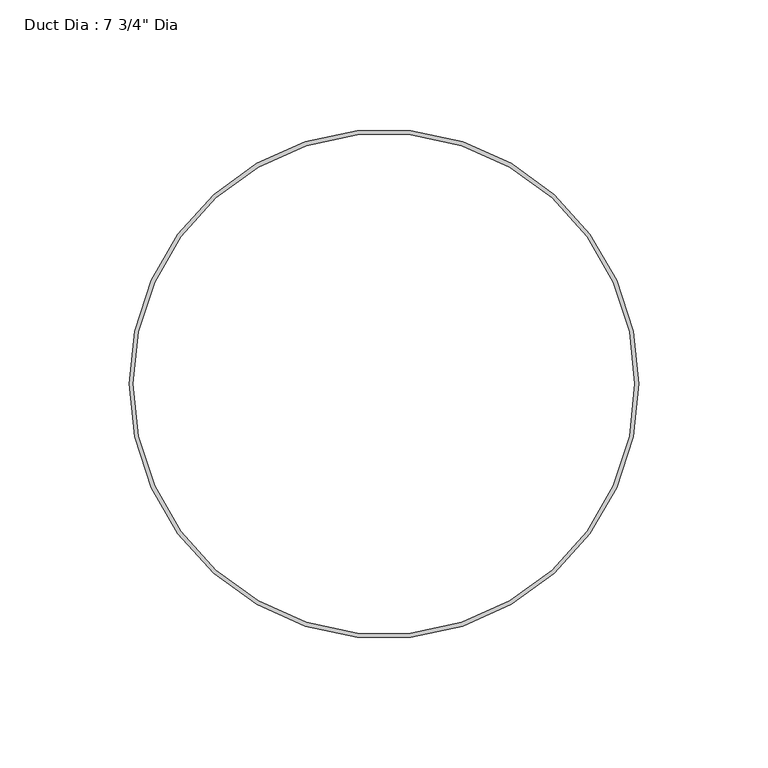
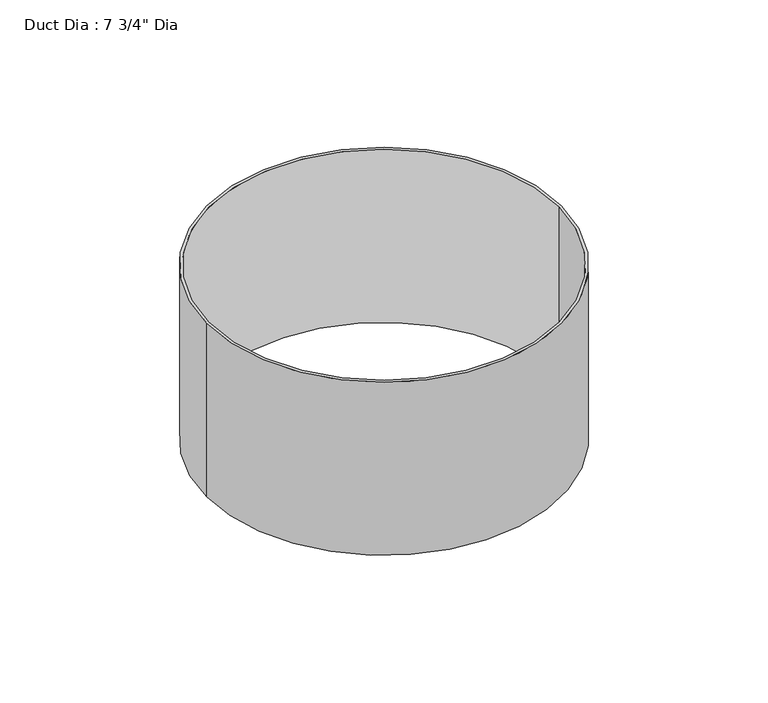
"""IFC4 building model written with IfcOpenShell, lengths in millimetres: proxy geometry."""

import ifcopenshell
import ifcopenshell.guid

model = None  # the IFC model being written
_history = None  # IfcOwnerHistory: only IFC2X3 demands one
_inside = {}  # id of a spatial element -> (the spatial element, [elements in it])
_under = {}  # id of a project, library or spatial element -> (it, [spatial elements below it])
_declared = {}  # id of a project -> (the project, [libraries it declares])
_typed = {}  # id of a type object -> (the type object, [elements of that type])
_made_of = {}  # id of a material, layer set ... -> (it, [elements and type objects made of it])


def new_model(schema):
    """Start an empty IFC model of exactly this schema.

    Asked for "IFC4X3", IfcOpenShell would pick the latest addendum, in which some entities
    have other attributes; the version numbers below select the first issue.
    IFC2X3 requires an IfcOwnerHistory on every rooted entity: one is made here for all.
    """
    global model, _history
    if schema == "IFC4X3":
        model = ifcopenshell.file(schema_version=(4, 3, 0, 0))
    else:
        model = ifcopenshell.file(schema=schema)
    _inside.clear()
    _under.clear()
    _declared.clear()
    _typed.clear()
    _made_of.clear()
    _history = None
    if model.schema == "IFC2X3":
        org = make("IfcOrganization", Name="unknown")
        user = make(
            "IfcPersonAndOrganization",
            ThePerson=make("IfcPerson", FamilyName="unknown"),
            TheOrganization=org,
        )
        app = make(
            "IfcApplication",
            ApplicationDeveloper=org,
            Version="unknown",
            ApplicationFullName="unknown",
            ApplicationIdentifier="unknown",
        )
        _history = make(
            "IfcOwnerHistory",
            OwningUser=user,
            OwningApplication=app,
            ChangeAction="ADDED",
            CreationDate=0,
        )
    return model


def make(cls, **values):
    """One entity of the class cls with the attributes given. An attribute that is None is left unset."""
    return model.create_entity(
        cls, **{name: value for name, value in values.items() if value is not None}
    )


def rooted(cls, **values):
    """An entity with a GlobalId (a new one), such as an element, a storey or a relation."""
    return make(cls, GlobalId=ifcopenshell.guid.new(), OwnerHistory=_history, **values)


def si_unit(unit_type, name, prefix=None):
    """IfcSIUnit, for example si_unit("LENGTHUNIT", "METRE", prefix="MILLI")."""
    return make("IfcSIUnit", UnitType=unit_type, Prefix=prefix, Name=name)


def assignment(units):
    """IfcUnitAssignment: the units of a project."""
    return None if units is None else make("IfcUnitAssignment", Units=units)


def point(xyz):
    """IfcCartesianPoint."""
    return None if xyz is None else make("IfcCartesianPoint", Coordinates=xyz)


def direction(xyz):
    """IfcDirection."""
    return None if xyz is None else make("IfcDirection", DirectionRatios=xyz)


def frame(location, z_axis=None, x_axis=None):
    """IfcAxis2Placement3D, a coordinate frame: its origin and axes. An axis left out is left unset."""
    return make(
        "IfcAxis2Placement3D",
        Location=point(location),
        Axis=direction(z_axis),
        RefDirection=direction(x_axis),
    )


def frame_2d(location, x_axis=None):
    """IfcAxis2Placement2D, a coordinate frame in the plane: its origin and x axis."""
    return make(
        "IfcAxis2Placement2D", Location=point(location), RefDirection=direction(x_axis)
    )


def origin():
    """The frame at (0, 0, 0) with its axes left unset."""
    return frame((0.0, 0.0, 0.0))


def origin_with_axes():
    """The frame at (0, 0, 0) with the z axis (0, 0, 1) and the x axis (1, 0, 0) written out."""
    return frame((0.0, 0.0, 0.0), z_axis=(0.0, 0.0, 1.0), x_axis=(1.0, 0.0, 0.0))


def origin_2d():
    """The frame at (0, 0) in the plane with its x axis left unset."""
    return frame_2d((0.0, 0.0))


def place(relative_to, where):
    """IfcLocalPlacement: puts the frame where relative to a parent placement (None: the world)."""
    return make(
        "IfcLocalPlacement", PlacementRelTo=relative_to, RelativePlacement=where
    )


def context(
    kind, dimensions, precision=None, world=None, true_north=None, identifier=None
):
    """IfcGeometricRepresentationContext, for example the 3D "Model" context."""
    return make(
        "IfcGeometricRepresentationContext",
        ContextIdentifier=identifier,
        ContextType=kind,
        CoordinateSpaceDimension=dimensions,
        Precision=precision,
        WorldCoordinateSystem=world,
        TrueNorth=true_north,
    )


def project(units=None, contexts=None):
    """IfcProject with its units and contexts."""
    return rooted(
        "IfcProject",
        Name="project",
        RepresentationContexts=contexts,
        UnitsInContext=assignment(units),
    )


def spatial(cls, under=None, at=None, **own):
    """A site, building, storey or space (cls), placed at a placement, below another one or the project."""
    s = rooted(cls, ObjectPlacement=at, **own)
    if under is not None:
        _under.setdefault(under.id(), (under, []))[1].append(s)
    return s


def circle_curve(where, radius):
    """IfcCircle in the frame where."""
    return make("IfcCircle", Position=where, Radius=radius)


def trimmed(basis, trim1, trim2, sense, master):
    """IfcTrimmedCurve: the piece of a basis curve between two trims."""
    return make(
        "IfcTrimmedCurve",
        BasisCurve=basis,
        Trim1=trim1,
        Trim2=trim2,
        SenseAgreement=sense,
        MasterRepresentation=master,
    )


def segment(curve, same_sense, transition):
    """IfcCompositeCurveSegment."""
    return make(
        "IfcCompositeCurveSegment",
        Transition=transition,
        SameSense=same_sense,
        ParentCurve=curve,
    )


def composite_curve(segments, self_intersect=None):
    """IfcCompositeCurve: segments joined end to end."""
    return make("IfcCompositeCurve", Segments=segments, SelfIntersect=self_intersect)


def outline(outer, holes=None, kind="AREA"):
    """IfcArbitraryClosedProfileDef: a profile drawn as a closed curve; with holes, ...WithVoids."""
    if holes is None:
        return make("IfcArbitraryClosedProfileDef", ProfileType=kind, OuterCurve=outer)
    return make(
        "IfcArbitraryProfileDefWithVoids",
        ProfileType=kind,
        OuterCurve=outer,
        InnerCurves=holes,
    )


def extrude(swept, where, along, depth):
    """IfcExtrudedAreaSolid: the profile swept, set in the frame where, extruded along a direction by depth."""
    return make(
        "IfcExtrudedAreaSolid",
        SweptArea=swept,
        Position=where,
        ExtrudedDirection=direction(along),
        Depth=depth,
    )


def shape(context_of_items, identifier, shape_type, items):
    """IfcShapeRepresentation: the items that make up one representation, for example the "Body"."""
    return make(
        "IfcShapeRepresentation",
        ContextOfItems=context_of_items,
        RepresentationIdentifier=identifier,
        RepresentationType=shape_type,
        Items=items,
    )


def source(mapping_origin, context_of_items, identifier, shape_type, items):
    """IfcRepresentationMap: a shape defined once, which mapped items show again and again."""
    return make(
        "IfcRepresentationMap",
        MappingOrigin=mapping_origin,
        MappedRepresentation=shape(context_of_items, identifier, shape_type, items),
    )


def transform(
    local_origin,
    x_axis=None,
    y_axis=None,
    z_axis=None,
    scale=None,
    scale2=None,
    scale3=None,
    uniform=True,
):
    """IfcCartesianTransformationOperator3D, or its non-uniform kind. x_axis, y_axis, z_axis: its Axis1, 2, 3."""
    if uniform:
        return make(
            "IfcCartesianTransformationOperator3D",
            Axis1=direction(x_axis),
            Axis2=direction(y_axis),
            LocalOrigin=point(local_origin),
            Scale=scale,
            Axis3=direction(z_axis),
        )
    return make(
        "IfcCartesianTransformationOperator3DnonUniform",
        Axis1=direction(x_axis),
        Axis2=direction(y_axis),
        LocalOrigin=point(local_origin),
        Scale=scale,
        Axis3=direction(z_axis),
        Scale2=scale2,
        Scale3=scale3,
    )


def mapped(mapping_source, mapping_target):
    """IfcMappedItem: shows the shape of a source again, moved by a transform."""
    return make(
        "IfcMappedItem", MappingSource=mapping_source, MappingTarget=mapping_target
    )


def made_of(thing, what):
    """Note that an element or type object is made of a material, layer set ...; save() writes the relation."""
    if what is not None:
        _made_of.setdefault(what.id(), (what, []))[1].append(thing)
    return thing


def element(
    cls,
    number,
    at=None,
    inside=None,
    cuts=None,
    type_object=None,
    material=None,
    context=None,
    identifier="Body",
    shape_type=None,
    held_by="IfcProductDefinitionShape",
    body=None,
    shapes=None,
    **own,
):
    """One element of the class cls, such as IfcWall. Its Tag is "e" and its number.

    at: its placement. inside: the storey or other place that contains it. cuts: it is an
    opening in that element (IfcRelVoidsElement). A single representation is given by context,
    identifier, shape_type and body (its items); several are given by shapes. held_by: the class
    of the entity that holds the representations. save() writes the other relations.
    """
    e = rooted(cls, Tag="e%d" % number, ObjectPlacement=at, **own)
    if body is not None:
        shapes = [shape(context, identifier, shape_type, body)]
    if shapes is not None:
        e.Representation = make(held_by, Representations=shapes)
    if inside is not None:
        _inside.setdefault(inside.id(), (inside, []))[1].append(e)
    if cuts is not None:
        rooted(
            "IfcRelVoidsElement", RelatingBuildingElement=cuts, RelatedOpeningElement=e
        )
    if type_object is not None:
        _typed.setdefault(type_object.id(), (type_object, []))[1].append(e)
    return made_of(e, material)


def aggregate(whole, parts):
    """IfcRelAggregates: a whole, such as a stair, and the parts it consists of."""
    return rooted("IfcRelAggregates", RelatingObject=whole, RelatedObjects=parts)


def save(model, path):
    """Write the relations noted so far, then the file.

    IfcRelAggregates (storeys below a building ...), IfcRelContainedInSpatialStructure (elements
    in a storey), IfcRelDefinesByType, IfcRelAssociatesMaterial and IfcRelDeclares: one each for
    every whole, place, type object, material and project.
    """
    for whole, parts in _under.values():
        aggregate(whole, parts)
    for where, things in _inside.values():
        rooted(
            "IfcRelContainedInSpatialStructure",
            RelatedElements=things,
            RelatingStructure=where,
        )
    for kind, things in _typed.values():
        rooted("IfcRelDefinesByType", RelatedObjects=things, RelatingType=kind)
    for what, things in _made_of.values():
        rooted("IfcRelAssociatesMaterial", RelatedObjects=things, RelatingMaterial=what)
    for by, libraries in _declared.values():
        rooted("IfcRelDeclares", RelatingContext=by, RelatedDefinitions=libraries)
    model.write(path)


def proxy_06b7fb91(model_context):
    return source(origin(), model_context, "Body", "SweptSolid", [
        extrude(outline(composite_curve([segment(trimmed(circle_curve(origin_2d(), 98.425), [point((-98.425, 0.0))], [point((98.425, 0.0))], False, "CARTESIAN"), True, "CONTINUOUS"), segment(trimmed(circle_curve(origin_2d(), 98.425), [point((98.425, 0.0))], [point((-98.425, 0.0))], False, "CARTESIAN"), True, "CONTINUOUS")], self_intersect=False), holes=[composite_curve([segment(trimmed(circle_curve(origin_2d(), 96.8375), [point((-96.8375, 0.0))], [point((96.8375, 0.0))], True, "CARTESIAN"), True, "CONTINUOUS"), segment(trimmed(circle_curve(origin_2d(), 96.8375), [point((96.8375, 0.0))], [point((-96.8375, 0.0))], True, "CARTESIAN"), True, "CONTINUOUS")], self_intersect=False)]), origin_with_axes(), (0.0, 0.0, 1.0), 101.6),
    ])


if __name__ == "__main__":
    model = new_model("IFC4")
    model_context = context("Model", 3, world=origin())
    ifc_project = project(units=[si_unit("LENGTHUNIT", "METRE", prefix="MILLI")], contexts=[model_context])
    site = spatial("IfcSite", under=ifc_project)
    building = spatial("IfcBuilding", under=site)
    placement = place(None, origin())
    proxy_shape = proxy_06b7fb91(model_context)
    element("IfcBuildingElementProxy", 1, Name="Duct Dia : 7 3/4\" Dia", ObjectType="Duct Dia : 7 3/4\" Dia", at=placement, inside=building, context=model_context, shape_type="MappedRepresentation", body=[
        mapped(proxy_shape, transform((0.0, 0.0, 0.0), x_axis=(1.0, 0.0, 0.0), y_axis=(0.0, 1.0, 0.0), z_axis=(0.0, 0.0, 1.0))),
    ])
    save(model, "model.ifc")
